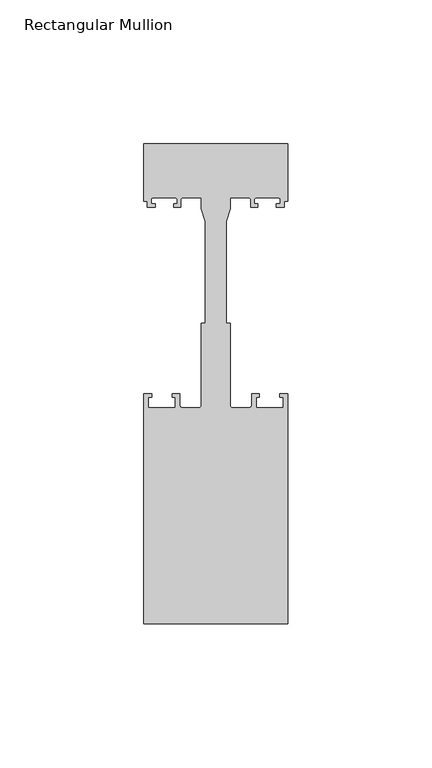
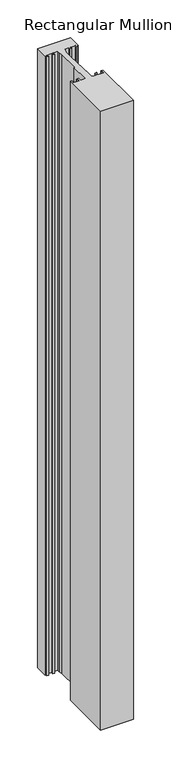
"""IFC4 building model written with IfcOpenShell, lengths in millimetres: member geometry, Rectangular Mullion."""

from ifc_helpers import new_model, si_unit, point, frame, frame_2d, origin, place, context, project, spatial, polyline, circle_curve, trimmed, segment, composite_curve, outline, extrude, source, transform, mapped, element, save


def rectangular_mullion_22972bdb(model_context):
    return source(origin(), model_context, "Body", "SweptSolid", [
        extrude(outline(composite_curve([segment(polyline([(-25.0, -74.5), (-25.0, 5.5), (-22.2, 5.5), (-22.2, 4.2), (-23.5, 4.2), (-23.5, 0.5), (-14.0, 0.5), (-14.0, 4.2), (-15.2, 4.2), (-15.2, 5.5), (-12.5, 5.5), (-12.5, 1.5)]), True, "CONTINUOUS"), segment(trimmed(circle_curve(frame_2d((-11.5, 1.5)), 1.0), [point((-12.5, 1.5))], [point((-11.5, 0.5))], True, "CARTESIAN"), True, "CONTINUOUS"), segment(polyline([(-11.5, 0.5), (-6.0, 0.5)]), True, "CONTINUOUS"), segment(trimmed(circle_curve(frame_2d((-6.0, 1.5)), 1.0), [point((-6.0, 0.5))], [point((-5.0, 1.5))], True, "CARTESIAN"), True, "CONTINUOUS"), segment(polyline([(-5.0, 1.5), (-5.0, 30.0), (-3.7, 30.0), (-3.7, 65.3046824), (-5.0, 69.6597214), (-5.0, 73.5), (-11.65, 73.5)]), True, "CONTINUOUS"), segment(trimmed(circle_curve(frame_2d((-11.65, 73.0)), 0.5), [point((-11.65, 73.5))], [point((-12.15, 73.0))], True, "CARTESIAN"), True, "CONTINUOUS"), segment(polyline([(-12.15, 73.0), (-12.15, 70.3), (-14.55, 70.3), (-14.55, 71.5), (-13.45, 71.5), (-13.45, 73.0)]), True, "CONTINUOUS"), segment(trimmed(circle_curve(frame_2d((-13.95, 73.0)), 0.5), [point((-13.45, 73.0))], [point((-13.95, 73.5))], True, "CARTESIAN"), True, "CONTINUOUS"), segment(polyline([(-13.95, 73.5), (-21.95, 73.5)]), True, "CONTINUOUS"), segment(trimmed(circle_curve(frame_2d((-21.95, 73.0)), 0.5), [point((-21.95, 73.5))], [point((-22.45, 73.0))], True, "CARTESIAN"), True, "CONTINUOUS"), segment(polyline([(-22.45, 73.0), (-22.45, 71.5), (-21.05, 71.5), (-21.05, 70.3), (-23.75, 70.3), (-23.75, 72.3), (-25.0, 72.3), (-25.0, 92.3), (25.0, 92.3), (25.0, 72.3), (23.75, 72.3), (23.75, 70.3), (21.05, 70.3), (21.05, 71.5), (22.45, 71.5), (22.45, 73.0)]), True, "CONTINUOUS"), segment(trimmed(circle_curve(frame_2d((21.95, 73.0)), 0.5), [point((22.45, 73.0))], [point((21.95, 73.5))], True, "CARTESIAN"), True, "CONTINUOUS"), segment(polyline([(21.95, 73.5), (13.95, 73.5)]), True, "CONTINUOUS"), segment(trimmed(circle_curve(frame_2d((13.95, 73.0)), 0.5), [point((13.95, 73.5))], [point((13.45, 73.0))], True, "CARTESIAN"), True, "CONTINUOUS"), segment(polyline([(13.45, 73.0), (13.45, 71.5), (14.55, 71.5), (14.55, 70.3), (12.15, 70.3), (12.15, 73.0)]), True, "CONTINUOUS"), segment(trimmed(circle_curve(frame_2d((11.65, 73.0)), 0.5), [point((12.15, 73.0))], [point((11.65, 73.5))], True, "CARTESIAN"), True, "CONTINUOUS"), segment(polyline([(11.65, 73.5), (5.0, 73.5), (5.0, 69.6597214), (3.7, 65.3046824), (3.7, 30.0), (5.0, 30.0), (5.0, 1.5)]), True, "CONTINUOUS"), segment(trimmed(circle_curve(frame_2d((6.0, 1.5)), 1.0), [point((5.0, 1.5))], [point((6.0, 0.5))], True, "CARTESIAN"), True, "CONTINUOUS"), segment(polyline([(6.0, 0.5), (11.5, 0.5)]), True, "CONTINUOUS"), segment(trimmed(circle_curve(frame_2d((11.5, 1.5)), 1.0), [point((11.5, 0.5))], [point((12.5, 1.5))], True, "CARTESIAN"), True, "CONTINUOUS"), segment(polyline([(12.5, 1.5), (12.5, 5.5), (15.2, 5.5), (15.2, 4.2), (14.0, 4.2), (14.0, 0.5), (23.5, 0.5), (23.5, 4.2), (22.2, 4.2), (22.2, 5.5), (25.0, 5.5), (25.0, -74.5), (-25.0, -74.5)]), True, "CONTINUOUS")], self_intersect=False)), frame((0.0, 0.0, -1000.0), z_axis=(0.0, 0.0, 1.0), x_axis=(1.0, 0.0, 0.0)), (0.0, 0.0, 1.0), 1000.0),
    ])


if __name__ == "__main__":
    model = new_model("IFC4")
    model_context = context("Model", 3, world=origin())
    ifc_project = project(units=[si_unit("LENGTHUNIT", "METRE", prefix="MILLI")], contexts=[model_context])
    site = spatial("IfcSite", under=ifc_project)
    building = spatial("IfcBuilding", under=site)
    placement = place(None, origin())
    rectangular_mullion_shape = rectangular_mullion_22972bdb(model_context)
    element("IfcMember", 1, ObjectType="Rectangular Mullion", at=placement, inside=building, context=model_context, shape_type="MappedRepresentation", body=[
        mapped(rectangular_mullion_shape, transform((0.0, 0.0, 0.0), x_axis=(1.0, 0.0, 0.0), y_axis=(0.0, 1.0, 0.0), z_axis=(0.0, 0.0, 1.0))),
    ])
    save(model, "model.ifc")
